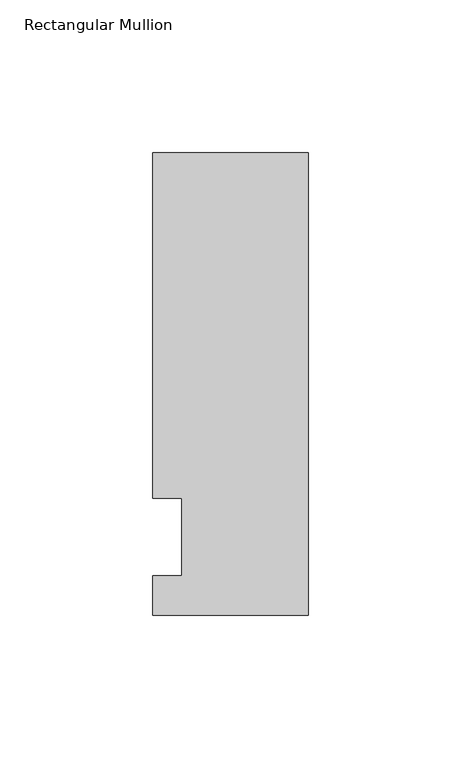
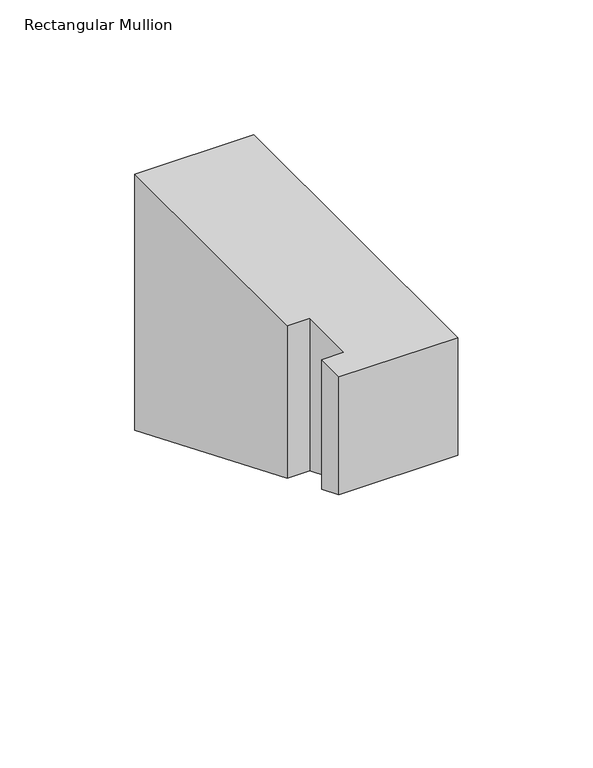
"""IFC4 building model written with IfcOpenShell, lengths in millimetres: member geometry, Rectangular Mullion."""

import ifcopenshell
import ifcopenshell.guid

model = None  # the IFC model being written
_history = None  # IfcOwnerHistory: only IFC2X3 demands one
_inside = {}  # id of a spatial element -> (the spatial element, [elements in it])
_under = {}  # id of a project, library or spatial element -> (it, [spatial elements below it])
_declared = {}  # id of a project -> (the project, [libraries it declares])
_typed = {}  # id of a type object -> (the type object, [elements of that type])
_made_of = {}  # id of a material, layer set ... -> (it, [elements and type objects made of it])


def new_model(schema):
    """Start an empty IFC model of exactly this schema.

    Asked for "IFC4X3", IfcOpenShell would pick the latest addendum, in which some entities
    have other attributes; the version numbers below select the first issue.
    IFC2X3 requires an IfcOwnerHistory on every rooted entity: one is made here for all.
    """
    global model, _history
    if schema == "IFC4X3":
        model = ifcopenshell.file(schema_version=(4, 3, 0, 0))
    else:
        model = ifcopenshell.file(schema=schema)
    _inside.clear()
    _under.clear()
    _declared.clear()
    _typed.clear()
    _made_of.clear()
    _history = None
    if model.schema == "IFC2X3":
        org = make("IfcOrganization", Name="unknown")
        user = make(
            "IfcPersonAndOrganization",
            ThePerson=make("IfcPerson", FamilyName="unknown"),
            TheOrganization=org,
        )
        app = make(
            "IfcApplication",
            ApplicationDeveloper=org,
            Version="unknown",
            ApplicationFullName="unknown",
            ApplicationIdentifier="unknown",
        )
        _history = make(
            "IfcOwnerHistory",
            OwningUser=user,
            OwningApplication=app,
            ChangeAction="ADDED",
            CreationDate=0,
        )
    return model


def make(cls, **values):
    """One entity of the class cls with the attributes given. An attribute that is None is left unset."""
    return model.create_entity(
        cls, **{name: value for name, value in values.items() if value is not None}
    )


def rooted(cls, **values):
    """An entity with a GlobalId (a new one), such as an element, a storey or a relation."""
    return make(cls, GlobalId=ifcopenshell.guid.new(), OwnerHistory=_history, **values)


def si_unit(unit_type, name, prefix=None):
    """IfcSIUnit, for example si_unit("LENGTHUNIT", "METRE", prefix="MILLI")."""
    return make("IfcSIUnit", UnitType=unit_type, Prefix=prefix, Name=name)


def assignment(units):
    """IfcUnitAssignment: the units of a project."""
    return None if units is None else make("IfcUnitAssignment", Units=units)


def point(xyz):
    """IfcCartesianPoint."""
    return None if xyz is None else make("IfcCartesianPoint", Coordinates=xyz)


def direction(xyz):
    """IfcDirection."""
    return None if xyz is None else make("IfcDirection", DirectionRatios=xyz)


def frame(location, z_axis=None, x_axis=None):
    """IfcAxis2Placement3D, a coordinate frame: its origin and axes. An axis left out is left unset."""
    return make(
        "IfcAxis2Placement3D",
        Location=point(location),
        Axis=direction(z_axis),
        RefDirection=direction(x_axis),
    )


def origin():
    """The frame at (0, 0, 0) with its axes left unset."""
    return frame((0.0, 0.0, 0.0))


def place(relative_to, where):
    """IfcLocalPlacement: puts the frame where relative to a parent placement (None: the world)."""
    return make(
        "IfcLocalPlacement", PlacementRelTo=relative_to, RelativePlacement=where
    )


def context(
    kind, dimensions, precision=None, world=None, true_north=None, identifier=None
):
    """IfcGeometricRepresentationContext, for example the 3D "Model" context."""
    return make(
        "IfcGeometricRepresentationContext",
        ContextIdentifier=identifier,
        ContextType=kind,
        CoordinateSpaceDimension=dimensions,
        Precision=precision,
        WorldCoordinateSystem=world,
        TrueNorth=true_north,
    )


def project(units=None, contexts=None):
    """IfcProject with its units and contexts."""
    return rooted(
        "IfcProject",
        Name="project",
        RepresentationContexts=contexts,
        UnitsInContext=assignment(units),
    )


def spatial(cls, under=None, at=None, **own):
    """A site, building, storey or space (cls), placed at a placement, below another one or the project."""
    s = rooted(cls, ObjectPlacement=at, **own)
    if under is not None:
        _under.setdefault(under.id(), (under, []))[1].append(s)
    return s


def faces_of(points, faces, orient=None, outer=None):
    """IfcFace entities. A face is a list of loops; a loop is a list of indices into points, from 0.

    orient and outer hold one flag for each loop. By default every Orientation is true, the
    first loop of a face is its IfcFaceOuterBound and the others are IfcFaceBound.
    """
    made = []
    for i, loops in enumerate(faces):
        bounds = []
        for j, loop in enumerate(loops):
            is_outer = j == 0 if outer is None else outer[i][j]
            bounds.append(
                make(
                    "IfcFaceOuterBound" if is_outer else "IfcFaceBound",
                    Bound=make("IfcPolyLoop", Polygon=[points[k] for k in loop]),
                    Orientation=True if orient is None else orient[i][j],
                )
            )
        made.append(make("IfcFace", Bounds=bounds))
    return made


def faceted_brep(points, faces, orient=None, outer=None, voids=None):
    """IfcFacetedBrep: a solid bounded by flat faces; with voids (closed shells), ...WithVoids."""
    shared = [point(p) for p in points]
    hull = make("IfcClosedShell", CfsFaces=faces_of(shared, faces, orient, outer))
    if voids is None:
        return make("IfcFacetedBrep", Outer=hull)
    return make(
        "IfcFacetedBrepWithVoids",
        Outer=hull,
        Voids=[
            make(cls, CfsFaces=faces_of(shared, fs, o, b)) for cls, fs, o, b in voids
        ],
    )


def shape(context_of_items, identifier, shape_type, items):
    """IfcShapeRepresentation: the items that make up one representation, for example the "Body"."""
    return make(
        "IfcShapeRepresentation",
        ContextOfItems=context_of_items,
        RepresentationIdentifier=identifier,
        RepresentationType=shape_type,
        Items=items,
    )


def source(mapping_origin, context_of_items, identifier, shape_type, items):
    """IfcRepresentationMap: a shape defined once, which mapped items show again and again."""
    return make(
        "IfcRepresentationMap",
        MappingOrigin=mapping_origin,
        MappedRepresentation=shape(context_of_items, identifier, shape_type, items),
    )


def transform(
    local_origin,
    x_axis=None,
    y_axis=None,
    z_axis=None,
    scale=None,
    scale2=None,
    scale3=None,
    uniform=True,
):
    """IfcCartesianTransformationOperator3D, or its non-uniform kind. x_axis, y_axis, z_axis: its Axis1, 2, 3."""
    if uniform:
        return make(
            "IfcCartesianTransformationOperator3D",
            Axis1=direction(x_axis),
            Axis2=direction(y_axis),
            LocalOrigin=point(local_origin),
            Scale=scale,
            Axis3=direction(z_axis),
        )
    return make(
        "IfcCartesianTransformationOperator3DnonUniform",
        Axis1=direction(x_axis),
        Axis2=direction(y_axis),
        LocalOrigin=point(local_origin),
        Scale=scale,
        Axis3=direction(z_axis),
        Scale2=scale2,
        Scale3=scale3,
    )


def mapped(mapping_source, mapping_target):
    """IfcMappedItem: shows the shape of a source again, moved by a transform."""
    return make(
        "IfcMappedItem", MappingSource=mapping_source, MappingTarget=mapping_target
    )


def made_of(thing, what):
    """Note that an element or type object is made of a material, layer set ...; save() writes the relation."""
    if what is not None:
        _made_of.setdefault(what.id(), (what, []))[1].append(thing)
    return thing


def element(
    cls,
    number,
    at=None,
    inside=None,
    cuts=None,
    type_object=None,
    material=None,
    context=None,
    identifier="Body",
    shape_type=None,
    held_by="IfcProductDefinitionShape",
    body=None,
    shapes=None,
    **own,
):
    """One element of the class cls, such as IfcWall. Its Tag is "e" and its number.

    at: its placement. inside: the storey or other place that contains it. cuts: it is an
    opening in that element (IfcRelVoidsElement). A single representation is given by context,
    identifier, shape_type and body (its items); several are given by shapes. held_by: the class
    of the entity that holds the representations. save() writes the other relations.
    """
    e = rooted(cls, Tag="e%d" % number, ObjectPlacement=at, **own)
    if body is not None:
        shapes = [shape(context, identifier, shape_type, body)]
    if shapes is not None:
        e.Representation = make(held_by, Representations=shapes)
    if inside is not None:
        _inside.setdefault(inside.id(), (inside, []))[1].append(e)
    if cuts is not None:
        rooted(
            "IfcRelVoidsElement", RelatingBuildingElement=cuts, RelatedOpeningElement=e
        )
    if type_object is not None:
        _typed.setdefault(type_object.id(), (type_object, []))[1].append(e)
    return made_of(e, material)


def aggregate(whole, parts):
    """IfcRelAggregates: a whole, such as a stair, and the parts it consists of."""
    return rooted("IfcRelAggregates", RelatingObject=whole, RelatedObjects=parts)


def save(model, path):
    """Write the relations noted so far, then the file.

    IfcRelAggregates (storeys below a building ...), IfcRelContainedInSpatialStructure (elements
    in a storey), IfcRelDefinesByType, IfcRelAssociatesMaterial and IfcRelDeclares: one each for
    every whole, place, type object, material and project.
    """
    for whole, parts in _under.values():
        aggregate(whole, parts)
    for where, things in _inside.values():
        rooted(
            "IfcRelContainedInSpatialStructure",
            RelatedElements=things,
            RelatingStructure=where,
        )
    for kind, things in _typed.values():
        rooted("IfcRelDefinesByType", RelatedObjects=things, RelatingType=kind)
    for what, things in _made_of.values():
        rooted("IfcRelAssociatesMaterial", RelatedObjects=things, RelatingMaterial=what)
    for by, libraries in _declared.values():
        rooted("IfcRelDeclares", RelatingContext=by, RelatedDefinitions=libraries)
    model.write(path)


def rectangular_mullion_b54a3b61(model_context):
    return source(origin(), model_context, "Body", "Brep", [
        faceted_brep([(-50.8, -25.5984375, 0.0), (0.0, -25.5984375, 0.0), (0.0, 125.6109375, 0.0), (-50.8, 125.6109375, 0.0), (-50.8, 12.7, 0.0), (-41.275, 12.7, 0.0), (-41.275, -12.7, 0.0), (-50.8, -12.7, 0.0), (-50.8, -25.5984375, -53.2576736), (0.0, -25.5984375, -53.2576736), (0.0, 125.6109375, -115.8906475), (-50.8, 125.6109375, -115.8906475), (-50.8, 12.7, -69.1214058), (-41.275, 12.7, -69.1214058), (-41.275, -12.7, -58.6003814), (-50.8, -12.7, -58.6003814)], [[[0, 1, 2, 3, 4, 5, 6, 7]], [[1, 0, 8, 9]], [[2, 1, 9, 10]], [[3, 2, 10, 11]], [[4, 3, 11, 12]], [[5, 4, 12, 13]], [[6, 5, 13, 14]], [[7, 6, 14, 15]], [[0, 7, 15, 8]], [[8, 15, 14, 13, 12, 11, 10, 9]]]),
    ])


if __name__ == "__main__":
    model = new_model("IFC4")
    model_context = context("Model", 3, world=origin())
    ifc_project = project(units=[si_unit("LENGTHUNIT", "METRE", prefix="MILLI")], contexts=[model_context])
    site = spatial("IfcSite", under=ifc_project)
    building = spatial("IfcBuilding", under=site)
    placement = place(None, origin())
    rectangular_mullion_shape = rectangular_mullion_b54a3b61(model_context)
    element("IfcMember", 1, ObjectType="Rectangular Mullion", at=placement, inside=building, context=model_context, shape_type="MappedRepresentation", body=[
        mapped(rectangular_mullion_shape, transform((0.0, 0.0, 0.0), x_axis=(1.0, 0.0, 0.0), y_axis=(0.0, 1.0, 0.0), z_axis=(0.0, 0.0, 1.0))),
    ])
    save(model, "model.ifc")
